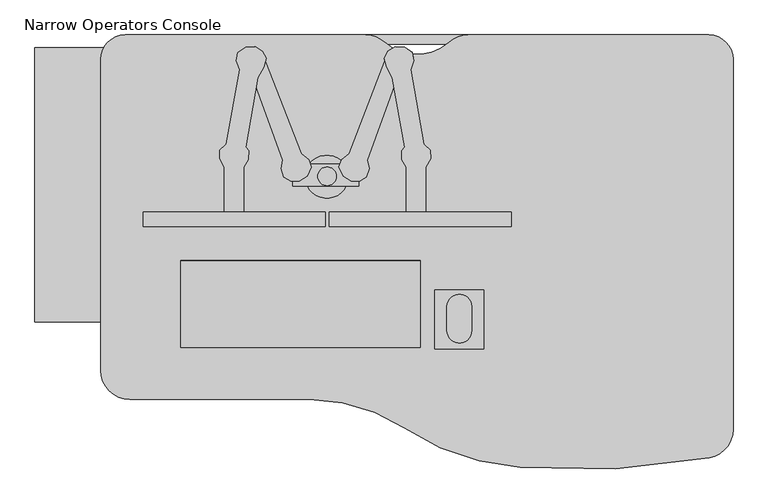
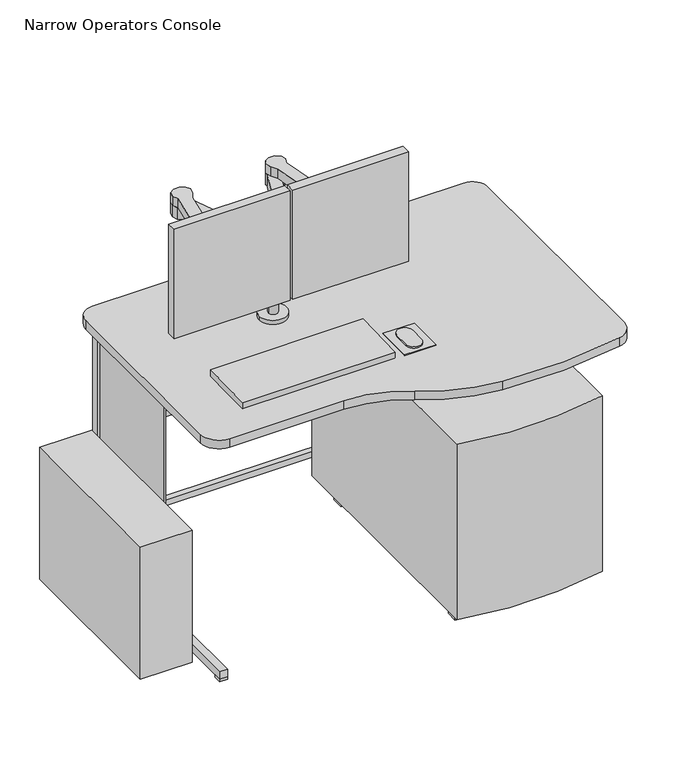
"""IFC4 building model written with IfcOpenShell, lengths in millimetres: proxy geometry, Narrow Operators Console."""

from ifc_helpers import new_model, si_unit, point, frame, frame_2d, origin, origin_with_axes, place, context, project, spatial, polyline, circle_curve, trimmed, segment, composite_curve, outline, extrude, source, transform, mapped, element, save
from ifc_brep_helpers import plane_surface, cylinder_surface, revolved_surface, advanced_brep


def narrow_operators_console_0dc52958(model_context):
    return source(origin(), model_context, "Body", "SolidModel", [
        advanced_brep(
        [(1249.99999, -127.1247, 850.0345549), (755.83009, -127.1247, 850.0345549), (716.143822, -142.1246985, 850.0345549), (583.8179801, -142.0909695, 850.0345549), (544.16999, -127.1247, 850.0345549), (50.0, -127.1247, 850.0345549), (0.0, -177.1247, 850.0345549), (0.0, -817.1247, 850.0345549), (60.0, -877.1247, 850.0345549), (429.30684, -877.1247, 850.0345549), (623.5856666, -935.9963133, 850.0345549), (862.2149998, -1016.6065319, 850.0345549), (1251.0591279, -997.5394888, 850.0345549), (1299.99999, -938.5675, 850.0345549), (1299.99999, -177.1247, 850.0345549), (1249.99999, -127.1247, 820.42), (1299.99999, -177.1247, 820.42), (1299.99999, -938.5675, 820.42), (1251.0591279, -997.5394888, 820.42), (862.2149998, -1016.6065319, 820.42), (623.5856666, -935.9963133, 820.42), (429.30684, -877.1247, 820.42), (60.0, -877.1247, 820.42), (0.0, -817.1247, 820.42), (0.0, -177.1247, 820.42), (50.0, -127.1247, 820.42), (544.16999, -127.1247, 820.42), (583.8179801, -142.0909695, 820.42), (716.14377, -142.1247024, 820.42), (755.83009, -127.1247, 820.42)],
        [
            (0, 1),
            (1, 2, circle_curve(frame((755.83009, -187.1247, 850.0345549), z_axis=(0.0, 0.0, 1.0), x_axis=(1.0, 0.0, 0.0)), 60.0)),
            (2, 3, circle_curve(frame((649.99999, -67.1247, 850.0345549), z_axis=(0.0, 0.0, -1.0), x_axis=(1.0, 0.0, 0.0)), 100.0)),
            (3, 4, circle_curve(frame((544.16999, -187.1247, 850.0345549), z_axis=(0.0, 0.0, 1.0), x_axis=(1.0, 0.0, 0.0)), 60.0)),
            (4, 5),
            (5, 6, circle_curve(frame((50.0, -177.1247, 850.0345549), z_axis=(0.0, 0.0, 1.0), x_axis=(1.0, 0.0, 0.0)), 50.0)),
            (6, 7),
            (7, 8, circle_curve(frame((60.0, -817.1247, 850.0345549), z_axis=(0.0, 0.0, 1.0), x_axis=(1.0, 0.0, 0.0)), 60.0)),
            (8, 9),
            (9, 10, circle_curve(frame((429.30684, -1227.1247, 850.0345549), z_axis=(0.0, 0.0, -1.0), x_axis=(1.0, 0.0, 0.0)), 350.0)),
            (10, 11, circle_curve(frame((897.76029, -517.8716, 850.0345549), z_axis=(0.0, 0.0, 1.0), x_axis=(1.0, 0.0, 0.0)), 500.0)),
            (11, 12, circle_curve(frame((987.49999, 402.8753, 850.0345549), z_axis=(0.0, 0.0, 1.0), x_axis=(1.0, 0.0, 0.0)), 1425.0)),
            (12, 13, circle_curve(frame((1239.99999, -938.5675, 850.0345549), z_axis=(0.0, 0.0, 1.0), x_axis=(1.0, 0.0, 0.0)), 60.0)),
            (13, 14),
            (14, 0, circle_curve(frame((1249.99999, -177.1247, 850.0345549), z_axis=(0.0, 0.0, 1.0), x_axis=(1.0, 0.0, 0.0)), 50.0)),
            (15, 16, circle_curve(frame((1249.99999, -177.1247, 820.42), z_axis=(0.0, 0.0, -1.0), x_axis=(1.0, 0.0, 0.0)), 50.0)),
            (16, 17),
            (17, 18, circle_curve(frame((1239.99999, -938.5675, 820.42), z_axis=(0.0, 0.0, -1.0), x_axis=(1.0, 0.0, 0.0)), 60.0)),
            (18, 19, circle_curve(frame((987.49999, 402.8753, 820.42), z_axis=(0.0, 0.0, -1.0), x_axis=(1.0, 0.0, 0.0)), 1425.0)),
            (19, 20, circle_curve(frame((897.76029, -517.8716, 820.42), z_axis=(0.0, 0.0, -1.0), x_axis=(1.0, 0.0, 0.0)), 500.0)),
            (20, 21, circle_curve(frame((429.30684, -1227.1247, 820.42), z_axis=(0.0, 0.0, 1.0), x_axis=(1.0, 0.0, 0.0)), 350.0)),
            (21, 22),
            (22, 23, circle_curve(frame((60.0, -817.1247, 820.42), z_axis=(0.0, 0.0, -1.0), x_axis=(1.0, 0.0, 0.0)), 60.0)),
            (23, 24),
            (24, 25, circle_curve(frame((50.0, -177.1247, 820.42), z_axis=(0.0, 0.0, -1.0), x_axis=(1.0, 0.0, 0.0)), 50.0)),
            (25, 26),
            (26, 27, circle_curve(frame((544.16999, -187.1247, 820.42), z_axis=(0.0, 0.0, -1.0), x_axis=(1.0, 0.0, 0.0)), 60.0)),
            (27, 28, circle_curve(frame((649.99999, -67.1247, 820.42), z_axis=(0.0, 0.0, 1.0), x_axis=(1.0, 0.0, 0.0)), 100.0)),
            (28, 29, circle_curve(frame((755.83009, -187.1247, 820.42), z_axis=(0.0, 0.0, -1.0), x_axis=(1.0, 0.0, 0.0)), 60.0)),
            (29, 15),
            (0, 15),
            (29, 1),
            (28, 2),
            (27, 3),
            (26, 4),
            (25, 5),
            (24, 6),
            (23, 7),
            (22, 8),
            (21, 9),
            (20, 10),
            (19, 11),
            (18, 12),
            (17, 13),
            (16, 14),
        ],
        [
            plane_surface(frame((755.83009, -127.1247, 850.0345549), z_axis=(0.0, 0.0, 1.0), x_axis=(-1.0, 0.0, 0.0))),
            plane_surface(frame((755.83009, -127.1247, 820.42), z_axis=(0.0, 0.0, -1.0), x_axis=(1.0, 0.0, 0.0))),
            plane_surface(frame((1249.99999, -127.1247, 850.0345549), z_axis=(0.0, 1.0, 0.0), x_axis=(0.0, 0.0, -1.0))),
            cylinder_surface(frame((755.83009, -187.1247, 820.42), z_axis=(0.0, 0.0, 1.0), x_axis=(1.0, 0.0, 0.0)), 60.0),
            revolved_surface(polyline([(749.99999, -67.1247, 820.42), (749.99999, -67.1247, 850.0345549)]), (649.99999, -67.1247, 820.42), (0.0, 0.0, -1.0)),
            cylinder_surface(frame((544.16999, -187.1247, 820.42), z_axis=(0.0, 0.0, 1.0), x_axis=(1.0, 0.0, 0.0)), 60.0),
            plane_surface(frame((544.16999, -127.1247, 850.0345549), z_axis=(0.0, 1.0, 0.0), x_axis=(0.0, 0.0, -1.0))),
            cylinder_surface(frame((50.0, -177.1247, 820.42), z_axis=(0.0, 0.0, 1.0), x_axis=(1.0, 0.0, 0.0)), 50.0),
            plane_surface(frame((0.0, -177.1247, 850.0345549), z_axis=(-1.0, 0.0, 0.0), x_axis=(0.0, 0.0, -1.0))),
            cylinder_surface(frame((60.0, -817.1247, 820.42), z_axis=(0.0, 0.0, 1.0), x_axis=(1.0, 0.0, 0.0)), 60.0),
            plane_surface(frame((60.0, -877.1247, 850.0345549), z_axis=(0.0, -1.0, 0.0), x_axis=(0.0, 0.0, -1.0))),
            revolved_surface(polyline([(779.30684, -1227.1247, 820.42), (779.30684, -1227.1247, 850.0345549)]), (429.30684, -1227.1247, 820.42), (0.0, 0.0, -1.0)),
            cylinder_surface(frame((897.76029, -517.8716, 820.42), z_axis=(0.0, 0.0, 1.0), x_axis=(1.0, 0.0, 0.0)), 500.0),
            cylinder_surface(frame((987.49999, 402.8753, 820.42), z_axis=(0.0, 0.0, 1.0), x_axis=(1.0, 0.0, 0.0)), 1425.0),
            cylinder_surface(frame((1239.99999, -938.5675, 820.42), z_axis=(0.0, 0.0, 1.0), x_axis=(1.0, 0.0, 0.0)), 60.0),
            plane_surface(frame((1299.99999, -938.5675, 850.0345549), z_axis=(1.0, 0.0, 0.0), x_axis=(0.0, 0.0, -1.0))),
            cylinder_surface(frame((1249.99999, -177.1247, 820.42), z_axis=(0.0, 0.0, 1.0), x_axis=(1.0, 0.0, 0.0)), 50.0),
        ],
        [
            (0, [[1, 2, 3, 4, 5, 6, 7, 8, 9, 10, 11, 12, 13, 14, 15]]),
            (1, [[16, 17, 18, 19, 20, 21, 22, 23, 24, 25, 26, 27, 28, 29, 30]]),
            (2, [[-1, 31, -30, 32]]),
            (3, [[-2, -32, -29, 33]]),
            (4, [[-3, -33, -28, 34]]),
            (5, [[-4, -34, -27, 35]]),
            (6, [[-5, -35, -26, 36]]),
            (7, [[-6, -36, -25, 37]]),
            (8, [[-7, -37, -24, 38]]),
            (9, [[-8, -38, -23, 39]]),
            (10, [[-9, -39, -22, 40]]),
            (11, [[-10, -40, -21, 41]]),
            (12, [[-11, -41, -20, 42]]),
            (13, [[-12, -42, -19, 43]]),
            (14, [[-13, -43, -18, 44]]),
            (15, [[-14, -44, -17, 45]]),
            (16, [[-15, -45, -16, -31]]),
        ],
    ),
        extrude(outline(polyline([(32.6207965, -153.4469776), (32.6207965, -717.2302471), (-135.2732035, -717.2302471), (-135.2732035, -153.4469776), (32.6207965, -153.4469776)])), origin_with_axes(), (0.0, 0.0, 1.0), 449.8578125),
        extrude(outline(composite_curve([segment(trimmed(circle_curve(frame_2d((465.2956382, -418.208129)), 19.05), [point((446.2456382, -418.208129))], [point((484.3456382, -418.208129))], False, "CARTESIAN"), True, "CONTINUOUS"), segment(trimmed(circle_curve(frame_2d((465.2956382, -418.208129)), 19.05), [point((484.3456382, -418.208129))], [point((446.2456382, -418.208129))], False, "CARTESIAN"), True, "CONTINUOUS")], self_intersect=False)), frame((0.0, 0.0, 1137.5971263), z_axis=(0.0, 0.0, 1.0), x_axis=(1.0, 0.0, 0.0)), (0.0, 0.0, 1.0), 24.6562514),
        extrude(outline(polyline([(510.7533676, -371.3020549), (584.156147, -180.7283233), (582.6836504, -175.0888251), (590.6745024, -160.6438235), (605.5079042, -151.5621489), (624.5486092, -152.157171), (639.9356216, -162.9850686), (643.3771115, -180.5053807), (637.6650035, -196.2016775), (622.2795936, -208.5703403), (612.0768343, -208.5703403), (548.1610307, -384.8774165), (551.7811271, -401.7711998), (546.0493078, -419.2683326), (532.4739462, -427.7152242), (514.9768134, -428.3185737), (498.3847048, -417.7599591), (489.6558497, -399.3670145), (495.3679578, -383.6707177), (510.7533676, -371.3020549)])), frame((0.0, 0.0, 1107.3793916), z_axis=(0.0, 0.0, 1.0), x_axis=(1.0, 0.0, 0.0)), (0.0, 0.0, 1.0), 39.2906989),
        extrude(outline(polyline([(668.276634, -398.9166578), (668.276634, -490.927442), (628.4555733, -490.927442), (628.4555733, -398.9166578), (619.1036575, -383.531248), (618.8019828, -365.4307658), (624.824874, -358.1302916), (599.6131866, -214.791934), (587.5526417, -193.7365202), (582.6010185, -174.7723538), (590.4445607, -160.5936428), (605.2266212, -151.5434017), (624.5338021, -152.1467511), (640.8242361, -163.6103898), (644.0194418, -179.8768921), (637.2032709, -198.6070426), (664.4793843, -351.6563457), (677.6285498, -364.5257417), (678.2318992, -382.0228744), (668.276634, -398.9166578)])), frame((0.0, 0.0, 1146.6700905), z_axis=(0.0, 0.0, 1.0), x_axis=(1.0, 0.0, 0.0)), (0.0, 0.0, 1.0), 31.6242211),
        extrude(outline(polyline([(411.9022086, -371.3020549), (427.2876184, -383.6707177), (432.9997264, -399.3670145), (424.2708714, -417.7599591), (407.6787627, -428.3185737), (390.18163, -427.7152242), (376.6062684, -419.2683326), (370.874449, -401.7711998), (374.4945455, -384.8774165), (310.5787419, -208.5703403), (300.3759825, -208.5703403), (284.9905727, -196.2016775), (279.2784647, -180.5053807), (282.7199545, -162.9850686), (298.1069669, -152.157171), (317.147672, -151.5621489), (331.9810737, -160.6438235), (339.9719257, -175.0888251), (338.4994291, -180.7283233), (411.9022086, -371.3020549)])), frame((0.0, 0.0, 1107.3793916), z_axis=(0.0, 0.0, 1.0), x_axis=(1.0, 0.0, 0.0)), (0.0, 0.0, 1.0), 39.2906989),
        extrude(outline(polyline([(254.3789422, -398.9166578), (244.423677, -382.0228744), (245.0270264, -364.5257417), (258.1761919, -351.6563457), (285.4523053, -198.6070426), (278.6361343, -179.8768921), (281.8313401, -163.6103898), (298.121774, -152.1467511), (317.428955, -151.5434017), (332.2110154, -160.5936428), (340.0545577, -174.7723538), (335.1029345, -193.7365202), (323.0423896, -214.791934), (297.8307022, -358.1302916), (303.8535934, -365.4307658), (303.5519187, -383.531248), (294.2000029, -398.9166578), (294.2000029, -490.927442), (254.3789422, -490.927442), (254.3789422, -398.9166578)])), frame((0.0, 0.0, 1146.6700905), z_axis=(0.0, 0.0, 1.0), x_axis=(1.0, 0.0, 0.0)), (0.0, 0.0, 1.0), 31.6242211),
        extrude(outline(polyline([(530.3937119, -438.1336983), (395.226634, -438.1336983), (395.226634, -392.7217583), (530.3937119, -392.7217583), (530.3937119, -438.1336983)])), frame((0.0, 0.0, 1119.8374181), z_axis=(0.0, 0.0, 1.0), x_axis=(1.0, 0.0, 0.0)), (0.0, 0.0, 1.0), 17.7597082),
        extrude(outline(composite_curve([segment(trimmed(circle_curve(frame_2d((465.5020502, -419.388992)), 15.0274611), [point((480.5295113, -419.388992))], [point((450.474589, -419.388992))], False, "CARTESIAN"), True, "CONTINUOUS"), segment(trimmed(circle_curve(frame_2d((465.5020502, -419.388992)), 15.0274611), [point((450.474589, -419.388992))], [point((480.5295113, -419.388992))], False, "CARTESIAN"), True, "CONTINUOUS")], self_intersect=False)), frame((0.0, 0.0, 864.0228857), z_axis=(0.0, 0.0, 1.0), x_axis=(1.0, 0.0, 0.0)), (0.0, 0.0, 1.0), 282.6472048),
        extrude(outline(composite_curve([segment(trimmed(circle_curve(frame_2d((464.8093204, -418.9690674)), 44.1783279), [point((508.9876483, -418.9690674))], [point((420.6309925, -418.9690674))], False, "CARTESIAN"), True, "CONTINUOUS"), segment(trimmed(circle_curve(frame_2d((464.8093204, -418.9690674)), 44.1783279), [point((420.6309925, -418.9690674))], [point((508.9876483, -418.9690674))], False, "CARTESIAN"), True, "CONTINUOUS")], self_intersect=False)), frame((0.0, 0.0, 850.0345549), z_axis=(0.0, 0.0, 1.0), x_axis=(1.0, 0.0, 0.0)), (0.0, 0.0, 1.0), 13.9883308),
        extrude(outline(polyline([(87.251157, -521.4608822), (87.251157, -491.293412), (461.3277881, -491.293412), (461.3277881, -521.4608822), (87.251157, -521.4608822)])), frame((0.0, 0.0, 965.9634254), z_axis=(0.0, 0.0, 1.0), x_axis=(1.0, 0.0, 0.0)), (0.0, 0.0, 1.0), 372.8798503),
        extrude(outline(polyline([(470.0763544, -491.293412), (843.8513108, -491.293412), (843.8513108, -521.4608822), (470.0763544, -521.4608822), (470.0763544, -491.293412)])), frame((0.0, 0.0, 965.9634254), z_axis=(0.0, 0.0, 1.0), x_axis=(1.0, 0.0, 0.0)), (0.0, 0.0, 1.0), 372.8798503),
        extrude(outline(composite_curve([segment(trimmed(circle_curve(frame_2d((737.2731212, -735.4237433)), 25.4), [point((762.6731212, -735.4237433))], [point((711.8731212, -735.4237433))], False, "CARTESIAN"), True, "CONTINUOUS"), segment(polyline([(711.8731212, -735.4237433), (711.8731212, -686.3075037)]), True, "CONTINUOUS"), segment(trimmed(circle_curve(frame_2d((737.2731212, -686.3075037)), 25.4), [point((711.8731212, -686.3075037))], [point((762.6731212, -686.3075037))], False, "CARTESIAN"), True, "CONTINUOUS"), segment(polyline([(762.6731212, -686.3075037), (762.6731212, -735.4237433)]), True, "CONTINUOUS")], self_intersect=False)), frame((0.0, 0.0, 853.0398703), z_axis=(0.0, 0.0, 1.0), x_axis=(1.0, 0.0, 0.0)), (0.0, 0.0, 1.0), 4.6445578),
        extrude(outline(polyline([(787.6109239, -651.8761639), (787.6109239, -772.9122926), (686.5741145, -772.9122926), (686.5741145, -651.8761639), (787.6109239, -651.8761639)])), frame((0.0, 0.0, 847.1754789), z_axis=(0.0, 0.0, 1.0), x_axis=(1.0, 0.0, 0.0)), (0.0, 0.0, 1.0), 5.8643915),
        extrude(outline(polyline([(556.5913044, 0.0), (556.5913044, -179.556892), (64.2033836, -179.556892), (64.2033836, 0.0), (556.5913044, 0.0)])), frame((100.0989364, -590.3493914, 852.6135825), z_axis=(0.0, -0.023626480133413532, 0.9997208557574987), x_axis=(1.0, 0.0, 0.0)), (0.0, 0.0, 1.0), 23.0517179),
        extrude(outline(polyline([(76.2, -127.1247), (1223.79999, -127.1247), (1223.79999, -146.1747), (76.2, -146.1747), (76.2, -127.1247)])), frame((0.0, 0.0, 101.6), z_axis=(0.0, 0.0, 1.0), x_axis=(1.0, 0.0, 0.0)), (0.0, 0.0, 1.0), 19.1616821),
        extrude(outline(polyline([(76.2, -127.1247), (1223.79999, -127.1247), (1223.79999, -146.1747), (76.2, -146.1747), (76.2, -127.1247)])), frame((0.0, 0.0, 406.4), z_axis=(0.0, 0.0, 1.0), x_axis=(1.0, 0.0, 0.0)), (0.0, 0.0, 1.0), 19.1616821),
        extrude(outline(composite_curve([segment(polyline([(-508.1247, 33.02), (-508.1247, 795.02), (-177.9247, 795.02)]), True, "CONTINUOUS"), segment(trimmed(circle_curve(frame_2d((-177.9247, 769.62)), 25.4), [point((-177.9247, 795.02))], [point((-152.5247, 769.62))], False, "CARTESIAN"), True, "CONTINUOUS"), segment(polyline([(-152.5247, 769.62), (-152.5247, 58.42)]), True, "CONTINUOUS"), segment(trimmed(circle_curve(frame_2d((-177.9247, 58.42)), 25.4), [point((-152.5247, 58.42))], [point((-177.9247, 33.02))], False, "CARTESIAN"), True, "CONTINUOUS"), segment(polyline([(-177.9247, 33.02), (-508.1247, 33.02)]), True, "CONTINUOUS")], self_intersect=False)), frame((60.325, 0.0, 0.0), z_axis=(1.0, 0.0, 0.0), x_axis=(0.0, 1.0, 0.0)), (0.0, 0.0, 1.0), 6.35),
        extrude(outline(composite_curve([segment(polyline([(-508.1247, 33.02), (-508.1247, 795.02), (-177.9247, 795.02)]), True, "CONTINUOUS"), segment(trimmed(circle_curve(frame_2d((-177.9247, 769.62)), 25.4), [point((-177.9247, 795.02))], [point((-152.5247, 769.62))], False, "CARTESIAN"), True, "CONTINUOUS"), segment(polyline([(-152.5247, 769.62), (-152.5247, 58.42)]), True, "CONTINUOUS"), segment(trimmed(circle_curve(frame_2d((-177.9247, 58.42)), 25.4), [point((-152.5247, 58.42))], [point((-177.9247, 33.02))], False, "CARTESIAN"), True, "CONTINUOUS"), segment(polyline([(-177.9247, 33.02), (-508.1247, 33.02)]), True, "CONTINUOUS")], self_intersect=False)), frame((1233.32499, 0.0, 0.0), z_axis=(1.0, 0.0, 0.0), x_axis=(0.0, 1.0, 0.0)), (0.0, 0.0, 1.0), 6.35),
        extrude(outline(polyline([(76.2, -812.9247), (76.2, -838.3247), (50.8, -838.3247), (50.8, -812.9247), (76.2, -812.9247)])), origin_with_axes(), (0.0, 0.0, 1.0), 7.62),
        extrude(outline(polyline([(76.2, -127.1247), (76.2, -152.5247), (50.8, -152.5247), (50.8, -127.1247), (76.2, -127.1247)])), origin_with_axes(), (0.0, 0.0, 1.0), 7.62),
        extrude(outline(polyline([(1223.79999, -838.3247), (1223.79999, -812.9247), (1249.19999, -812.9247), (1249.19999, -838.3247), (1223.79999, -838.3247)])), origin_with_axes(), (0.0, 0.0, 1.0), 7.62),
        extrude(outline(polyline([(1223.79999, -152.5247), (1223.79999, -127.1247), (1249.19999, -127.1247), (1249.19999, -152.5247), (1223.79999, -152.5247)])), origin_with_axes(), (0.0, 0.0, 1.0), 7.62),
        extrude(outline(composite_curve([segment(polyline([(-127.1247, 7.62), (-838.3247, 7.62), (-838.3247, 33.02), (-177.9247, 33.02)]), True, "CONTINUOUS"), segment(trimmed(circle_curve(frame_2d((-177.9247, 58.42)), 25.4), [point((-177.9247, 33.02))], [point((-152.5247, 58.42))], True, "CARTESIAN"), True, "CONTINUOUS"), segment(polyline([(-152.5247, 58.42), (-152.5247, 769.62)]), True, "CONTINUOUS"), segment(trimmed(circle_curve(frame_2d((-177.9247, 769.62)), 25.4), [point((-152.5247, 769.62))], [point((-177.9247, 795.02))], True, "CARTESIAN"), True, "CONTINUOUS"), segment(polyline([(-177.9247, 795.02), (-838.3247, 795.02), (-838.3247, 820.42), (-127.1247, 820.42), (-127.1247, 7.62)]), True, "CONTINUOUS")], self_intersect=False)), frame((50.8, 0.0, 0.0), z_axis=(1.0, 0.0, 0.0), x_axis=(0.0, 1.0, 0.0)), (0.0, 0.0, 1.0), 25.4),
        extrude(outline(composite_curve([segment(polyline([(-127.1247, 7.62), (-838.3247, 7.62), (-838.3247, 33.02), (-177.9247, 33.02)]), True, "CONTINUOUS"), segment(trimmed(circle_curve(frame_2d((-177.9247, 58.42)), 25.4), [point((-177.9247, 33.02))], [point((-152.5247, 58.42))], True, "CARTESIAN"), True, "CONTINUOUS"), segment(polyline([(-152.5247, 58.42), (-152.5247, 769.62)]), True, "CONTINUOUS"), segment(trimmed(circle_curve(frame_2d((-177.9247, 769.62)), 25.4), [point((-152.5247, 769.62))], [point((-177.9247, 795.02))], True, "CARTESIAN"), True, "CONTINUOUS"), segment(polyline([(-177.9247, 795.02), (-838.3247, 795.02), (-838.3247, 820.42), (-127.1247, 820.42), (-127.1247, 7.62)]), True, "CONTINUOUS")], self_intersect=False)), frame((1223.79999, 0.0, 0.0), z_axis=(1.0, 0.0, 0.0), x_axis=(0.0, 1.0, 0.0)), (0.0, 0.0, 1.0), 25.4),
        extrude(outline(polyline([(1160.0589726, -269.0491135), (1160.0589726, -231.4943368), (1194.6796422, -231.4943368), (1194.6796422, -269.0491135), (1160.0589726, -269.0491135)])), origin_with_axes(), (0.0, 0.0, 1.0), 41.0096689),
        extrude(outline(polyline([(1160.0589726, -908.1336552), (1160.0589726, -870.5788785), (1194.6796422, -870.5788785), (1194.6796422, -908.1336552), (1160.0589726, -908.1336552)])), origin_with_axes(), (0.0, 0.0, 1.0), 41.0096689),
        extrude(outline(composite_curve([segment(polyline([(747.99809, -148.9133845), (1217.89809, -148.9133845), (1217.89809, -958.706416)]), True, "CONTINUOUS"), segment(trimmed(circle_curve(frame_2d((982.94809, 115.237334)), 1099.34375), [point((1217.89809, -958.706416))], [point((747.99809, -958.706416))], False, "CARTESIAN"), True, "CONTINUOUS"), segment(polyline([(747.99809, -958.706416), (747.99809, -148.9133845)]), True, "CONTINUOUS")], self_intersect=False)), frame((0.0, 0.0, 41.0096689), z_axis=(0.0, 0.0, 1.0), x_axis=(1.0, 0.0, 0.0)), (0.0, 0.0, 1.0), 598.8163311),
        extrude(outline(polyline([(805.8372074, -231.4943368), (805.8372074, -269.0491135), (771.2165378, -269.0491135), (771.2165378, -231.4943368), (805.8372074, -231.4943368)])), origin_with_axes(), (0.0, 0.0, 1.0), 41.0096689),
        extrude(outline(polyline([(805.8372074, -870.5788785), (805.8372074, -908.1336552), (771.2165378, -908.1336552), (771.2165378, -870.5788785), (805.8372074, -870.5788785)])), origin_with_axes(), (0.0, 0.0, 1.0), 41.0096689),
    ])


if __name__ == "__main__":
    model = new_model("IFC4")
    model_context = context("Model", 3, world=origin())
    ifc_project = project(units=[si_unit("LENGTHUNIT", "METRE", prefix="MILLI")], contexts=[model_context])
    site = spatial("IfcSite", under=ifc_project)
    building = spatial("IfcBuilding", under=site)
    placement = place(None, origin())
    narrow_operators_console_shape = narrow_operators_console_0dc52958(model_context)
    element("IfcBuildingElementProxy", 1, Name="Narrow Operators Console", ObjectType="Narrow Operators Console", at=placement, inside=building, context=model_context, shape_type="MappedRepresentation", body=[
        mapped(narrow_operators_console_shape, transform((0.0, 0.0, 0.0), x_axis=(1.0, 0.0, 0.0), y_axis=(0.0, 1.0, 0.0), z_axis=(0.0, 0.0, 1.0))),
    ])
    save(model, "model.ifc")
